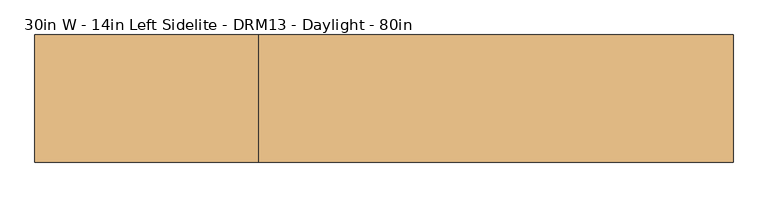
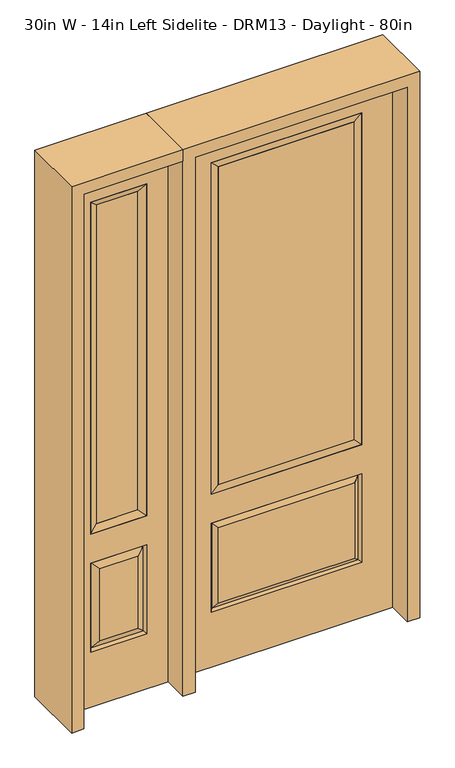
"""IFC4 building model written with IfcOpenShell, lengths in millimetres: door geometry, 30in W - 14in Left Sidelite - DRM13 - Daylight - 80in."""

from ifc_helpers import new_model, si_unit, frame, origin, place, context, project, spatial, polyline, outline, extrude, faceted_brep, source, transform, mapped, element, save


def door_30in_w_14in_left_sidelite_drm13_daylight_80in_b3f39e63(model_context):
    return source(origin(), model_context, "Body", "SolidModel", [
        faceted_brep([(-781.05, -22.225, 0.0), (-425.45, -22.225, 0.0), (-425.45, -22.225, 2032.0), (-781.05, -22.225, 2032.0), (-502.92, -22.225, 1919.224), (-502.92, -22.225, 657.098), (-703.58, -22.225, 657.098), (-703.58, -22.225, 1919.224), (-502.92, -22.225, 209.55), (-703.58, -22.225, 209.55), (-703.58, -22.225, 546.1), (-502.92, -22.225, 546.1), (-671.8648999, -22.225, 241.2651001), (-534.6351001, -22.225, 241.2651001), (-534.6351001, -22.225, 514.3848999), (-671.8648999, -22.225, 514.3848999), (-781.05, 22.225, 0.0), (-781.05, 22.225, 2032.0), (-425.45, 22.225, 2032.0), (-425.45, 22.225, 0.0), (-502.92, 22.225, 1919.224), (-703.58, 22.225, 1919.224), (-703.58, 22.225, 657.098), (-502.92, 22.225, 657.098), (-703.58, 22.225, 209.55), (-502.92, 22.225, 209.55), (-502.92, 22.225, 546.1), (-703.58, 22.225, 546.1), (-534.6351001, 22.225, 241.2651001), (-671.8648999, 22.225, 241.2651001), (-671.8648999, 22.225, 514.3848999), (-534.6351001, 22.225, 514.3848999), (-510.0288501, 12.7912373, 216.6588501), (-696.4711499, 12.7912373, 216.6588501), (-696.4711499, 12.7912373, 538.9911499), (-510.0288501, 12.7912373, 538.9911499), (-696.4711499, -12.7912373, 216.6588501), (-510.0288501, -12.7912373, 216.6588501), (-696.4711499, -12.7912373, 538.9911499), (-510.0288501, -12.7912373, 538.9911499)], [[[0, 1, 2, 3], [4, 5, 6, 7], [8, 9, 10, 11]], [[12, 13, 14, 15]], [[16, 17, 18, 19], [20, 21, 22, 23], [24, 25, 26, 27]], [[28, 29, 30, 31]], [[1, 0, 16, 19]], [[2, 1, 19, 18]], [[3, 2, 18, 17]], [[0, 3, 17, 16]], [[5, 4, 20, 23]], [[6, 5, 23, 22]], [[7, 6, 22, 21]], [[4, 7, 21, 20]], [[32, 33, 29, 28]], [[33, 32, 25, 24]], [[29, 33, 34, 30]], [[33, 24, 27, 34]], [[30, 34, 35, 31]], [[34, 27, 26, 35]], [[32, 28, 31, 35]], [[25, 32, 35, 26]], [[12, 36, 37, 13]], [[37, 36, 9, 8]], [[36, 12, 15, 38]], [[9, 36, 38, 10]], [[38, 15, 14, 39]], [[10, 38, 39, 11]], [[13, 37, 39, 14]], [[37, 8, 11, 39]]]),
        faceted_brep([(-703.58, 22.225, 1919.224), (-703.58, -22.225, 1919.224), (-502.92, -22.225, 1919.224), (-502.92, 22.225, 1919.224), (-678.18, 12.7, 1893.824), (-528.32, 12.7, 1893.824), (-678.18, -12.7, 1893.824), (-528.32, -12.7, 1893.824), (-502.92, -22.225, 657.098), (-502.92, 22.225, 657.098), (-528.32, 12.7, 682.498), (-528.32, -12.7, 682.498), (-703.58, -22.225, 657.098), (-703.58, 22.225, 657.098), (-678.18, 12.7, 682.498), (-678.18, -12.7, 682.498)], [[[0, 1, 2, 3]], [[4, 0, 3, 5]], [[6, 4, 5, 7]], [[1, 6, 7, 2]], [[3, 2, 8, 9]], [[5, 3, 9, 10]], [[7, 5, 10, 11]], [[2, 7, 11, 8]], [[9, 8, 12, 13]], [[10, 9, 13, 14]], [[11, 10, 14, 15]], [[8, 11, 15, 12]], [[13, 12, 1, 0]], [[14, 13, 0, 4]], [[15, 14, 4, 6]], [[12, 15, 6, 1]]]),
        extrude(outline(polyline([(-528.32, -12.7), (-678.18, -12.7), (-678.18, 12.7), (-528.32, 12.7), (-528.32, -12.7)])), frame((0.0, 0.0, 682.498), z_axis=(0.0, 0.0, 1.0), x_axis=(1.0, 0.0, 0.0)), (0.0, 0.0, 1.0), 1211.326),
        faceted_brep([(-262.7661499, -12.7912373, 216.6588501), (262.7661499, -12.7912373, 216.6588501), (245.26875, -22.225, 234.15625), (-245.26875, -22.225, 234.15625), (-269.875, -22.225, 209.55), (269.875, -22.225, 209.55), (-262.7661499, -12.7912373, 538.9911499), (-269.875, -22.225, 546.1), (245.26875, -22.225, 521.49375), (-245.26875, -22.225, 521.49375), (381.0, -22.225, 2032.0), (-381.0, -22.225, 2032.0), (-381.0, -22.225, 0.0), (381.0, -22.225, 0.0), (269.875, -22.225, 546.1), (269.875, -22.225, 1917.7), (269.875, -22.225, 657.098), (-269.875, -22.225, 657.098), (-269.875, -22.225, 1917.7), (262.7661499, -12.7912373, 538.9911499), (-381.0, 22.225, 2032.0), (-381.0, 22.225, 0.0), (381.0, 22.225, 0.0), (381.0, 22.225, 2032.0), (269.875, 22.225, 1917.7), (269.875, 22.225, 657.098), (-269.875, 22.225, 657.098), (-269.875, 22.225, 1917.7), (-269.875, 22.225, 209.55), (269.875, 22.225, 209.55), (269.875, 22.225, 546.1), (-269.875, 22.225, 546.1), (245.26875, 22.225, 234.15625), (-245.26875, 22.225, 234.15625), (-245.26875, 22.225, 521.49375), (245.26875, 22.225, 521.49375), (-262.7661499, 12.7912373, 216.6588501), (262.7661499, 12.7912373, 216.6588501), (262.7661499, 12.7912373, 538.9911499), (-262.7661499, 12.7912373, 538.9911499)], [[[0, 1, 2, 3]], [[1, 0, 4, 5]], [[4, 0, 6, 7]], [[3, 2, 8, 9]], [[10, 11, 12, 13], [5, 4, 7, 14], [15, 16, 17, 18]], [[1, 5, 14, 19]], [[2, 1, 19, 8]], [[0, 3, 9, 6]], [[7, 6, 19, 14]], [[6, 9, 8, 19]], [[12, 11, 20, 21]], [[13, 12, 21, 22]], [[10, 13, 22, 23]], [[16, 15, 24, 25]], [[17, 16, 25, 26]], [[18, 17, 26, 27]], [[23, 22, 21, 20], [28, 29, 30, 31], [24, 27, 26, 25]], [[32, 33, 34, 35]], [[28, 36, 37, 29]], [[29, 37, 38, 30]], [[39, 31, 30, 38]], [[36, 28, 31, 39]], [[37, 36, 33, 32]], [[33, 36, 39, 34]], [[34, 39, 38, 35]], [[37, 32, 35, 38]], [[11, 10, 23, 20]], [[15, 18, 27, 24]]]),
        faceted_brep([(-269.875, -22.225, 1917.7), (-269.875, 22.225, 1917.7), (-269.875, 22.225, 657.098), (-269.875, -22.225, 657.098), (269.875, 22.225, 657.098), (269.875, -22.225, 657.098), (-244.475, 5.08, 682.498), (244.475, 5.08, 682.498), (269.875, 22.225, 1917.7), (269.875, -22.225, 1917.7), (-244.475, -20.32, 682.498), (244.475, -20.32, 682.498), (-244.475, -20.32, 1892.3), (244.475, -20.32, 1892.3), (-244.475, 5.08, 1892.3), (244.475, 5.08, 1892.3)], [[[0, 1, 2, 3]], [[3, 2, 4, 5]], [[2, 6, 7, 4]], [[5, 4, 8, 9]], [[10, 3, 5, 11]], [[12, 0, 3, 10]], [[11, 5, 9, 13]], [[6, 10, 11, 7]], [[14, 12, 10, 6]], [[7, 11, 13, 15]], [[1, 14, 6, 2]], [[4, 7, 15, 8]], [[9, 8, 1, 0]], [[13, 9, 0, 12]], [[15, 13, 12, 14]], [[8, 15, 14, 1]]]),
        extrude(outline(polyline([(244.475, -20.32), (-244.475, -20.32), (-244.475, 5.08), (244.475, 5.08), (244.475, -20.32)])), frame((0.0, 0.0, 682.498), z_axis=(0.0, 0.0, 1.0), x_axis=(1.0, 0.0, 0.0)), (0.0, 0.0, 1.0), 1209.802),
        extrude(outline(polyline([(2032.0, -425.45), (2076.45, -425.45), (2076.45, -825.5), (0.0, -825.5), (0.0, -781.05), (2032.0, -781.05), (2032.0, -425.45)])), frame((0.0, -114.3, 0.0), z_axis=(0.0, 1.0, 0.0), x_axis=(0.0, 0.0, 1.0)), (0.0, 0.0, 1.0), 228.6),
        extrude(outline(polyline([(2076.45, -425.45), (0.0, -425.45), (0.0, -381.0), (2032.0, -381.0), (2032.0, 381.0), (0.0, 381.0), (0.0, 425.45), (2076.45, 425.45), (2076.45, -425.45)])), frame((0.0, -114.3, 0.0), z_axis=(0.0, 1.0, 0.0), x_axis=(0.0, 0.0, 1.0)), (0.0, 0.0, 1.0), 228.6),
    ])


if __name__ == "__main__":
    model = new_model("IFC4")
    model_context = context("Model", 3, world=origin())
    ifc_project = project(units=[si_unit("LENGTHUNIT", "METRE", prefix="MILLI")], contexts=[model_context])
    site = spatial("IfcSite", under=ifc_project)
    building = spatial("IfcBuilding", under=site)
    placement = place(None, origin())
    door_30in_w_14in_left_sidelite_drm13_daylight_80in_shape = door_30in_w_14in_left_sidelite_drm13_daylight_80in_b3f39e63(model_context)
    element("IfcDoor", 1, ObjectType="30in W - 14in Left Sidelite - DRM13 - Daylight - 80in", at=placement, inside=building, context=model_context, shape_type="MappedRepresentation", body=[
        mapped(door_30in_w_14in_left_sidelite_drm13_daylight_80in_shape, transform((0.0, 0.0, 0.0), x_axis=(1.0, 0.0, 0.0), y_axis=(0.0, 1.0, 0.0), z_axis=(0.0, 0.0, 1.0))),
    ])
    save(model, "model.ifc")
